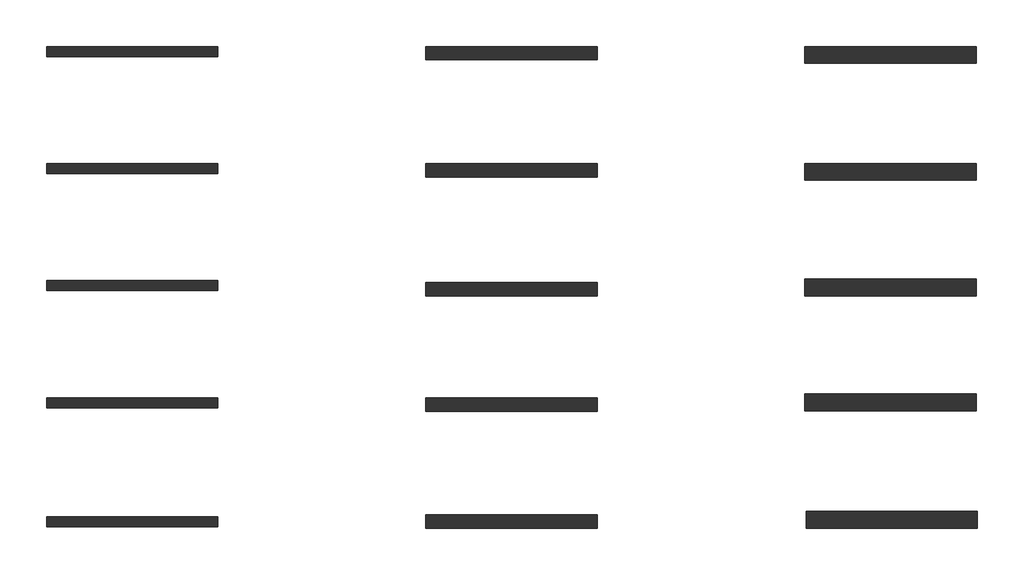
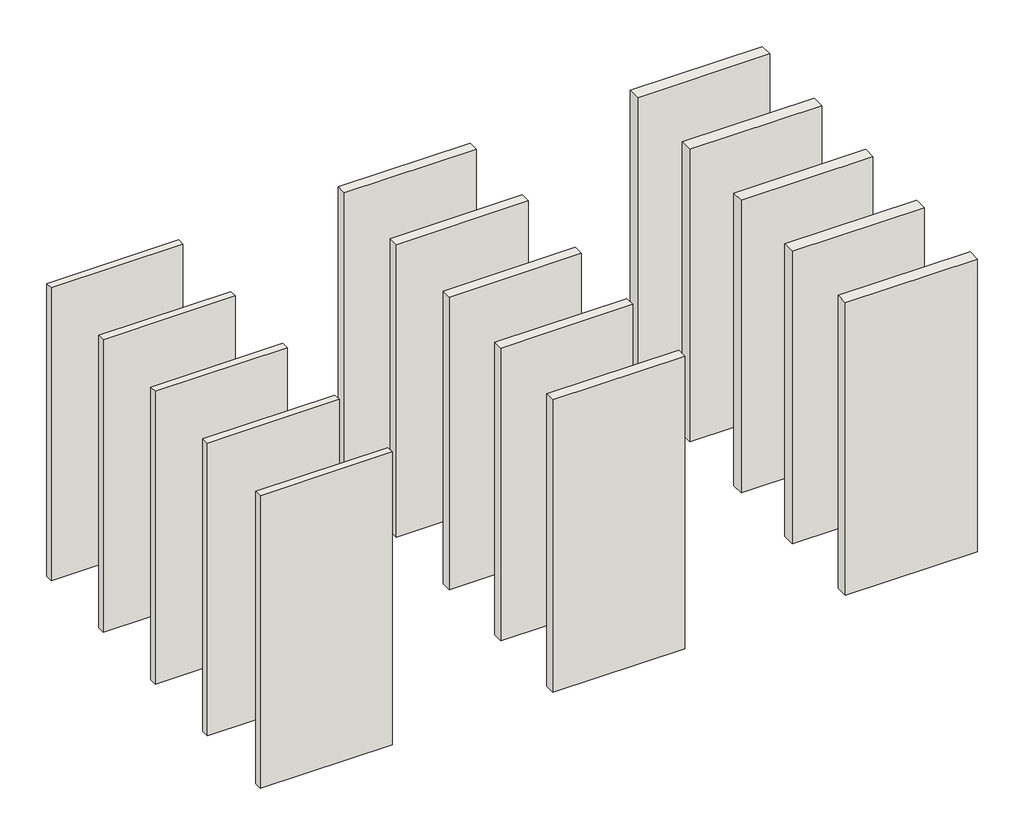
# One storey: 15 walls.
"""IFC4 building model written with IfcOpenShell, lengths in millimetres."""

from ifc_helpers import new_model, si_unit, origin, origin_with_axes, place, context, project, spatial, polyline, outline, extrude, element, save

model = new_model("IFC4")

# Units and contexts
model_context = context("Model", 3, world=origin())
ifc_project = project(units=[si_unit("LENGTHUNIT", "METRE", prefix="MILLI")], contexts=[model_context])

# Site, building, storey
site = spatial("IfcSite", under=ifc_project)
building = spatial("IfcBuilding", under=site)
storey = spatial("IfcBuildingStorey", under=building, Elevation=0.0)

# Walls
placement = place(None, origin())
element("IfcWall", 1, at=placement, inside=storey, context=model_context, shape_type="SweptSolid", body=[
    extrude(outline(polyline([(-9305.2181117, 13441.7300098), (-10585.2181117, 13441.7300098), (-10585.2181117, 13516.7300098), (-9305.2181117, 13516.7300098), (-9305.2181117, 13441.7300098)])), origin_with_axes(), (0.0, 0.0, 1.0), 3000.0),
])
element("IfcWall", 2, at=placement, inside=storey, context=model_context, shape_type="SweptSolid", body=[
    extrude(outline(polyline([(-9305.2181117, 12566.7300098), (-10585.2181117, 12566.7300098), (-10585.2181117, 12641.7300098), (-9305.2181117, 12641.7300098), (-9305.2181117, 12566.7300098)])), origin_with_axes(), (0.0, 0.0, 1.0), 3000.0),
])
element("IfcWall", 3, at=placement, inside=storey, context=model_context, shape_type="SweptSolid", body=[
    extrude(outline(polyline([(-9305.2181117, 11691.7300098), (-10585.2181117, 11691.7300098), (-10585.2181117, 11766.7300098), (-9305.2181117, 11766.7300098), (-9305.2181117, 11691.7300098)])), origin_with_axes(), (0.0, 0.0, 1.0), 3000.0),
])
element("IfcWall", 4, at=placement, inside=storey, context=model_context, shape_type="SweptSolid", body=[
    extrude(outline(polyline([(-9305.2181117, 10816.7300098), (-10585.2181117, 10816.7300098), (-10585.2181117, 10891.7300098), (-9305.2181117, 10891.7300098), (-9305.2181117, 10816.7300098)])), origin_with_axes(), (0.0, 0.0, 1.0), 3000.0),
])
element("IfcWall", 5, at=placement, inside=storey, context=model_context, shape_type="SweptSolid", body=[
    extrude(outline(polyline([(-9305.2181117, 9929.2300098), (-10585.2181117, 9929.2300098), (-10585.2181117, 10004.2300098), (-9305.2181117, 10004.2300098), (-9305.2181117, 9929.2300098)])), origin_with_axes(), (0.0, 0.0, 1.0), 3000.0),
])
element("IfcWall", 6, at=placement, inside=storey, context=model_context, shape_type="SweptSolid", body=[
    extrude(outline(polyline([(-6475.2181117, 13416.7300098), (-7755.2181117, 13416.7300098), (-7755.2181117, 13516.7300098), (-6475.2181117, 13516.7300098), (-6475.2181117, 13416.7300098)])), origin_with_axes(), (0.0, 0.0, 1.0), 3000.0),
])
element("IfcWall", 7, at=placement, inside=storey, context=model_context, shape_type="SweptSolid", body=[
    extrude(outline(polyline([(-6475.2181117, 11654.2300098), (-7755.2181117, 11654.2300098), (-7755.2181117, 11754.2300098), (-6475.2181117, 11754.2300098), (-6475.2181117, 11654.2300098)])), origin_with_axes(), (0.0, 0.0, 1.0), 3000.0),
])
element("IfcWall", 8, at=placement, inside=storey, context=model_context, shape_type="SweptSolid", body=[
    extrude(outline(polyline([(-6475.2181117, 10789.2300098), (-7755.2181117, 10789.2300098), (-7755.2181117, 10889.2300098), (-6475.2181117, 10889.2300098), (-6475.2181117, 10789.2300098)])), origin_with_axes(), (0.0, 0.0, 1.0), 3000.0),
])
element("IfcWall", 9, at=placement, inside=storey, context=model_context, shape_type="SweptSolid", body=[
    extrude(outline(polyline([(-6475.2181117, 9916.7300098), (-7755.2181117, 9916.7300098), (-7755.2181117, 10016.7300098), (-6475.2181117, 10016.7300098), (-6475.2181117, 9916.7300098)])), origin_with_axes(), (0.0, 0.0, 1.0), 3000.0),
])
element("IfcWall", 10, at=placement, inside=storey, context=model_context, shape_type="SweptSolid", body=[
    extrude(outline(polyline([(-3645.2181117, 13391.7300098), (-4925.2181117, 13391.7300098), (-4925.2181117, 13516.7300098), (-3645.2181117, 13516.7300098), (-3645.2181117, 13391.7300098)])), origin_with_axes(), (0.0, 0.0, 1.0), 3000.0),
])
element("IfcWall", 11, at=placement, inside=storey, context=model_context, shape_type="SweptSolid", body=[
    extrude(outline(polyline([(-3645.2181117, 11654.2300098), (-4925.2181117, 11654.2300098), (-4925.2181117, 11779.2300098), (-3645.2181117, 11779.2300098), (-3645.2181117, 11654.2300098)])), origin_with_axes(), (0.0, 0.0, 1.0), 3000.0),
])
element("IfcWall", 12, at=placement, inside=storey, context=model_context, shape_type="SweptSolid", body=[
    extrude(outline(polyline([(-3645.2181117, 10794.2300098), (-4925.2181117, 10794.2300098), (-4925.2181117, 10919.2300098), (-3645.2181117, 10919.2300098), (-3645.2181117, 10794.2300098)])), origin_with_axes(), (0.0, 0.0, 1.0), 3000.0),
])
element("IfcWall", 13, at=placement, inside=storey, context=model_context, shape_type="SweptSolid", body=[
    extrude(outline(polyline([(-3635.2181117, 9916.7300098), (-4915.2181117, 9916.7300098), (-4915.2181117, 10041.7300098), (-3635.2181117, 10041.7300098), (-3635.2181117, 9916.7300098)])), origin_with_axes(), (0.0, 0.0, 1.0), 3000.0),
])
element("IfcWall", 14, at=placement, inside=storey, context=model_context, shape_type="SweptSolid", body=[
    extrude(outline(polyline([(-6475.2181117, 12541.7300098), (-7755.2181117, 12541.7300098), (-7755.2181117, 12641.7300098), (-6475.2181117, 12641.7300098), (-6475.2181117, 12541.7300098)])), origin_with_axes(), (0.0, 0.0, 1.0), 3000.0),
])
element("IfcWall", 15, at=placement, inside=storey, context=model_context, shape_type="SweptSolid", body=[
    extrude(outline(polyline([(-3645.2181117, 12516.7300098), (-4925.2181117, 12516.7300098), (-4925.2181117, 12641.7300098), (-3645.2181117, 12641.7300098), (-3645.2181117, 12516.7300098)])), origin_with_axes(), (0.0, 0.0, 1.0), 3000.0),
])

save(model, "model.ifc")
